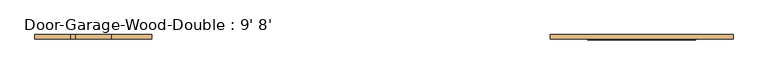
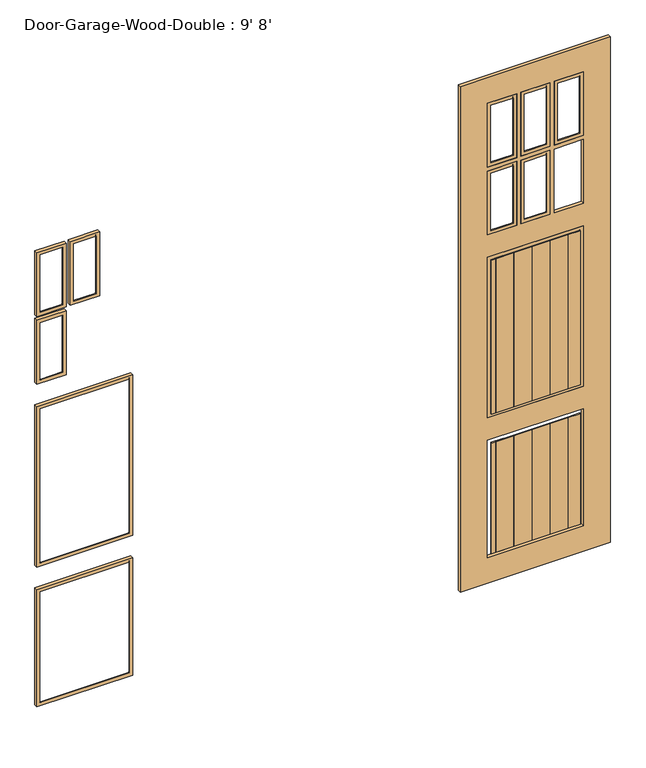
"""IFC4 building model written with IfcOpenShell, lengths in millimetres: door geometry, Door-Garage-Wood-Double : 9' 8'."""

from ifc_helpers import new_model, si_unit, frame, origin, place, context, project, spatial, polyline, ellipse_curve, outline, extrude, source, transform, mapped, element, save
from ifc_brep_helpers import plane_surface, cylinder_surface, advanced_brep


def door_garage_wood_double_9_8_cf30c957(model_context):
    return source(origin(), model_context, "Body", "SolidModel", [
        advanced_brep(
        [(-962.025, -135.73125, 2314.575), (-962.025, -135.73125, 2006.6), (-962.025, -119.85625, 2006.6), (-962.025, -119.85625, 2314.575), (-965.2, -123.03125, 2311.4), (-965.2, -123.03125, 2009.775), (-977.9, -135.73125, 2022.475), (-977.9, -135.73125, 2298.7), (-965.2, -119.85625, 2311.4), (-965.2, -119.85625, 2009.775), (-1095.375, -135.73125, 2006.6), (-1095.375, -119.85625, 2006.6), (-1092.2, -123.03125, 2009.775), (-1079.5, -135.73125, 2022.475), (-1092.2, -119.85625, 2009.775), (-1095.375, -135.73125, 2314.575), (-1095.375, -119.85625, 2314.575), (-1092.2, -123.03125, 2311.4), (-1079.5, -135.73125, 2298.7), (-1092.2, -119.85625, 2311.4)],
        [
            (0, 1),
            (1, 2),
            (2, 3),
            (3, 0),
            (4, 5),
            (5, 6, ellipse_curve(frame((-965.2, -135.73125, 2009.775), z_axis=(0.7071067811865475, 0.0, 0.7071067811865475), x_axis=(-0.7071067811865474, 0.0, 0.7071067811865476)), 17.9605122, 12.7)),
            (6, 7),
            (7, 4, ellipse_curve(frame((-965.2, -135.73125, 2311.4), z_axis=(0.7071067811865475, 0.0, -0.7071067811865475), x_axis=(0.7071067811865474, 0.0, 0.7071067811865476)), 17.9605122, 12.7)),
            (8, 9),
            (9, 5),
            (4, 8),
            (1, 10),
            (10, 11),
            (11, 2),
            (5, 12),
            (12, 13, ellipse_curve(frame((-1092.2, -135.73125, 2009.775), z_axis=(0.7071067811865475, 0.0, -0.7071067811865475), x_axis=(0.7071067811865476, 0.0, 0.7071067811865474)), 17.9605122, 12.7)),
            (13, 6),
            (9, 14),
            (14, 12),
            (10, 15),
            (15, 16),
            (16, 11),
            (12, 17),
            (17, 18, ellipse_curve(frame((-1092.2, -135.73125, 2311.4), z_axis=(-0.7071067811865475, 0.0, -0.7071067811865475), x_axis=(0.7071067811865474, 0.0, -0.7071067811865476)), 17.9605122, 12.7)),
            (18, 13),
            (14, 19),
            (19, 17),
            (15, 0),
            (3, 16),
            (18, 7),
            (17, 4),
            (19, 8),
        ],
        [
            plane_surface(frame((-962.025, -119.85625, 2314.575), z_axis=(1.0, 0.0, 0.0), x_axis=(0.0, 0.0, -1.0))),
            cylinder_surface(frame((-965.2, -135.73125, 2314.575), z_axis=(0.0, 0.0, 1.0), x_axis=(1.0, 0.0, 0.0)), 12.7),
            plane_surface(frame((-965.2, -123.03125, 2311.4), z_axis=(-1.0, 0.0, 0.0), x_axis=(0.0, 0.0, -1.0))),
            plane_surface(frame((-962.025, -119.85625, 2006.6), z_axis=(0.0, 0.0, -1.0), x_axis=(-1.0, 0.0, 0.0))),
            cylinder_surface(frame((-962.025, -135.73125, 2009.775), z_axis=(1.0, 0.0, 0.0), x_axis=(0.0, 0.0, -1.0)), 12.7),
            plane_surface(frame((-965.2, -123.03125, 2009.775), z_axis=(0.0, 0.0, 1.0), x_axis=(-1.0, 0.0, 0.0))),
            plane_surface(frame((-1095.375, -119.85625, 2006.6), z_axis=(-1.0, 0.0, 0.0), x_axis=(0.0, 0.0, 1.0))),
            cylinder_surface(frame((-1092.2, -135.73125, 2006.6), z_axis=(0.0, 0.0, -1.0), x_axis=(-1.0, 0.0, 0.0)), 12.7),
            plane_surface(frame((-1092.2, -123.03125, 2009.775), z_axis=(1.0, 0.0, 0.0), x_axis=(0.0, 0.0, 1.0))),
            plane_surface(frame((-1095.375, -119.85625, 2314.575), z_axis=(0.0, 0.0, 1.0), x_axis=(1.0, 0.0, 0.0))),
            plane_surface(frame((-1095.375, -135.73125, 2314.575), z_axis=(0.0, -1.0, 0.0), x_axis=(1.0, 0.0, 0.0))),
            cylinder_surface(frame((-1095.375, -135.73125, 2311.4), z_axis=(-1.0, 0.0, 0.0), x_axis=(0.0, 0.0, 1.0)), 12.7),
            plane_surface(frame((-1092.2, -123.03125, 2311.4), z_axis=(0.0, 0.0, -1.0), x_axis=(1.0, 0.0, 0.0))),
            plane_surface(frame((-1092.2, -119.85625, 2311.4), z_axis=(0.0, 1.0, 0.0), x_axis=(1.0, 0.0, 0.0))),
        ],
        [
            (0, [[1, 2, 3, 4]]),
            (1, [[5, 6, 7, 8]]),
            (2, [[9, 10, -5, 11]]),
            (3, [[12, 13, 14, -2]]),
            (4, [[15, 16, 17, -6]]),
            (5, [[18, 19, -15, -10]]),
            (6, [[20, 21, 22, -13]]),
            (7, [[23, 24, 25, -16]]),
            (8, [[26, 27, -23, -19]]),
            (9, [[28, -4, 29, -21]]),
            (10, [[-1, -28, -20, -12], [-7, -17, -25, 30]]),
            (11, [[31, -8, -30, -24]]),
            (12, [[32, -11, -31, -27]]),
            (13, [[-3, -14, -22, -29], [-9, -32, -26, -18]]),
        ],
    ),
        advanced_brep(
        [(-1114.425, -135.73125, 2314.575), (-1114.425, -135.73125, 2006.6), (-1114.425, -119.85625, 2006.6), (-1114.425, -119.85625, 2314.575), (-1117.6, -123.03125, 2311.4), (-1117.6, -123.03125, 2009.775), (-1130.3, -135.73125, 2022.475), (-1130.3, -135.73125, 2298.7), (-1117.6, -119.85625, 2311.4), (-1117.6, -119.85625, 2009.775), (-1247.775, -135.73125, 2006.6), (-1247.775, -119.85625, 2006.6), (-1244.6, -123.03125, 2009.775), (-1231.9, -135.73125, 2022.475), (-1244.6, -119.85625, 2009.775), (-1247.775, -135.73125, 2314.575), (-1247.775, -119.85625, 2314.575), (-1244.6, -123.03125, 2311.4), (-1231.9, -135.73125, 2298.7), (-1244.6, -119.85625, 2311.4)],
        [
            (0, 1),
            (1, 2),
            (2, 3),
            (3, 0),
            (4, 5),
            (5, 6, ellipse_curve(frame((-1117.6, -135.73125, 2009.775), z_axis=(0.7071067811865475, 0.0, 0.7071067811865475), x_axis=(-0.7071067811865474, 0.0, 0.7071067811865476)), 17.9605122, 12.7)),
            (6, 7),
            (7, 4, ellipse_curve(frame((-1117.6, -135.73125, 2311.4), z_axis=(0.7071067811865475, 0.0, -0.7071067811865475), x_axis=(0.7071067811865474, 0.0, 0.7071067811865476)), 17.9605122, 12.7)),
            (8, 9),
            (9, 5),
            (4, 8),
            (1, 10),
            (10, 11),
            (11, 2),
            (5, 12),
            (12, 13, ellipse_curve(frame((-1244.6, -135.73125, 2009.775), z_axis=(0.7071067811865475, 0.0, -0.7071067811865475), x_axis=(0.7071067811865476, 0.0, 0.7071067811865474)), 17.9605122, 12.7)),
            (13, 6),
            (9, 14),
            (14, 12),
            (10, 15),
            (15, 16),
            (16, 11),
            (12, 17),
            (17, 18, ellipse_curve(frame((-1244.6, -135.73125, 2311.4), z_axis=(-0.7071067811865475, 0.0, -0.7071067811865475), x_axis=(0.7071067811865474, 0.0, -0.7071067811865476)), 17.9605122, 12.7)),
            (18, 13),
            (14, 19),
            (19, 17),
            (15, 0),
            (3, 16),
            (18, 7),
            (17, 4),
            (19, 8),
        ],
        [
            plane_surface(frame((-1114.425, -119.85625, 2314.575), z_axis=(1.0, 0.0, 0.0), x_axis=(0.0, 0.0, -1.0))),
            cylinder_surface(frame((-1117.6, -135.73125, 2314.575), z_axis=(0.0, 0.0, 1.0), x_axis=(1.0, 0.0, 0.0)), 12.7),
            plane_surface(frame((-1117.6, -123.03125, 2311.4), z_axis=(-1.0, 0.0, 0.0), x_axis=(0.0, 0.0, -1.0))),
            plane_surface(frame((-1114.425, -119.85625, 2006.6), z_axis=(0.0, 0.0, -1.0), x_axis=(-1.0, 0.0, 0.0))),
            cylinder_surface(frame((-1114.425, -135.73125, 2009.775), z_axis=(1.0, 0.0, 0.0), x_axis=(0.0, 0.0, -1.0)), 12.7),
            plane_surface(frame((-1117.6, -123.03125, 2009.775), z_axis=(0.0, 0.0, 1.0), x_axis=(-1.0, 0.0, 0.0))),
            plane_surface(frame((-1247.775, -119.85625, 2006.6), z_axis=(-1.0, 0.0, 0.0), x_axis=(0.0, 0.0, 1.0))),
            cylinder_surface(frame((-1244.6, -135.73125, 2006.6), z_axis=(0.0, 0.0, -1.0), x_axis=(-1.0, 0.0, 0.0)), 12.7),
            plane_surface(frame((-1244.6, -123.03125, 2009.775), z_axis=(1.0, 0.0, 0.0), x_axis=(0.0, 0.0, 1.0))),
            plane_surface(frame((-1247.775, -119.85625, 2314.575), z_axis=(0.0, 0.0, 1.0), x_axis=(1.0, 0.0, 0.0))),
            plane_surface(frame((-1247.775, -135.73125, 2314.575), z_axis=(0.0, -1.0, 0.0), x_axis=(1.0, 0.0, 0.0))),
            cylinder_surface(frame((-1247.775, -135.73125, 2311.4), z_axis=(-1.0, 0.0, 0.0), x_axis=(0.0, 0.0, 1.0)), 12.7),
            plane_surface(frame((-1244.6, -123.03125, 2311.4), z_axis=(0.0, 0.0, -1.0), x_axis=(1.0, 0.0, 0.0))),
            plane_surface(frame((-1244.6, -119.85625, 2311.4), z_axis=(0.0, 1.0, 0.0), x_axis=(1.0, 0.0, 0.0))),
        ],
        [
            (0, [[1, 2, 3, 4]]),
            (1, [[5, 6, 7, 8]]),
            (2, [[9, 10, -5, 11]]),
            (3, [[12, 13, 14, -2]]),
            (4, [[15, 16, 17, -6]]),
            (5, [[18, 19, -15, -10]]),
            (6, [[20, 21, 22, -13]]),
            (7, [[23, 24, 25, -16]]),
            (8, [[26, 27, -23, -19]]),
            (9, [[28, -4, 29, -21]]),
            (10, [[-1, -28, -20, -12], [-7, -17, -25, 30]]),
            (11, [[31, -8, -30, -24]]),
            (12, [[32, -11, -31, -27]]),
            (13, [[-3, -14, -22, -29], [-9, -32, -26, -18]]),
        ],
    ),
        advanced_brep(
        [(-809.625, -135.73125, 1571.625), (-809.625, -135.73125, 796.925), (-809.625, -119.85625, 796.925), (-809.625, -119.85625, 1571.625), (-812.8, -123.03125, 1568.45), (-812.8, -123.03125, 800.1), (-825.5, -135.73125, 812.8), (-825.5, -135.73125, 1555.75), (-812.8, -119.85625, 1568.45), (-812.8, -119.85625, 800.1), (-1247.775, -135.73125, 796.925), (-1247.775, -119.85625, 796.925), (-1244.6, -123.03125, 800.1), (-1231.9, -135.73125, 812.8), (-1244.6, -119.85625, 800.1), (-1247.775, -135.73125, 1571.625), (-1247.775, -119.85625, 1571.625), (-1244.6, -123.03125, 1568.45), (-1231.9, -135.73125, 1555.75), (-1244.6, -119.85625, 1568.45)],
        [
            (0, 1),
            (1, 2),
            (2, 3),
            (3, 0),
            (4, 5),
            (5, 6, ellipse_curve(frame((-812.8, -135.73125, 800.1), z_axis=(0.7071067811865475, 0.0, 0.7071067811865475), x_axis=(-0.7071067811865474, 0.0, 0.7071067811865476)), 17.9605122, 12.7)),
            (6, 7),
            (7, 4, ellipse_curve(frame((-812.8, -135.73125, 1568.45), z_axis=(0.7071067811865475, 0.0, -0.7071067811865475), x_axis=(0.7071067811865474, 0.0, 0.7071067811865476)), 17.9605122, 12.7)),
            (8, 9),
            (9, 5),
            (4, 8),
            (1, 10),
            (10, 11),
            (11, 2),
            (5, 12),
            (12, 13, ellipse_curve(frame((-1244.6, -135.73125, 800.1), z_axis=(0.7071067811865475, 0.0, -0.7071067811865475), x_axis=(0.7071067811865476, 0.0, 0.7071067811865474)), 17.9605122, 12.7)),
            (13, 6),
            (9, 14),
            (14, 12),
            (10, 15),
            (15, 16),
            (16, 11),
            (12, 17),
            (17, 18, ellipse_curve(frame((-1244.6, -135.73125, 1568.45), z_axis=(-0.7071067811865475, 0.0, -0.7071067811865475), x_axis=(0.7071067811865474, 0.0, -0.7071067811865476)), 17.9605122, 12.7)),
            (18, 13),
            (14, 19),
            (19, 17),
            (15, 0),
            (3, 16),
            (18, 7),
            (17, 4),
            (19, 8),
        ],
        [
            plane_surface(frame((-809.625, -119.85625, 1571.625), z_axis=(1.0, 0.0, 0.0), x_axis=(0.0, 0.0, -1.0))),
            cylinder_surface(frame((-812.8, -135.73125, 1571.625), z_axis=(0.0, 0.0, 1.0), x_axis=(1.0, 0.0, 0.0)), 12.7),
            plane_surface(frame((-812.8, -123.03125, 1568.45), z_axis=(-1.0, 0.0, 0.0), x_axis=(0.0, 0.0, -1.0))),
            plane_surface(frame((-809.625, -119.85625, 796.925), z_axis=(0.0, 0.0, -1.0), x_axis=(-1.0, 0.0, 0.0))),
            cylinder_surface(frame((-809.625, -135.73125, 800.1), z_axis=(1.0, 0.0, 0.0), x_axis=(0.0, 0.0, -1.0)), 12.7),
            plane_surface(frame((-812.8, -123.03125, 800.1), z_axis=(0.0, 0.0, 1.0), x_axis=(-1.0, 0.0, 0.0))),
            plane_surface(frame((-1247.775, -119.85625, 796.925), z_axis=(-1.0, 0.0, 0.0), x_axis=(0.0, 0.0, 1.0))),
            cylinder_surface(frame((-1244.6, -135.73125, 796.925), z_axis=(0.0, 0.0, -1.0), x_axis=(-1.0, 0.0, 0.0)), 12.7),
            plane_surface(frame((-1244.6, -123.03125, 800.1), z_axis=(1.0, 0.0, 0.0), x_axis=(0.0, 0.0, 1.0))),
            plane_surface(frame((-1247.775, -119.85625, 1571.625), z_axis=(0.0, 0.0, 1.0), x_axis=(1.0, 0.0, 0.0))),
            plane_surface(frame((-1247.775, -135.73125, 1571.625), z_axis=(0.0, -1.0, 0.0), x_axis=(1.0, 0.0, 0.0))),
            cylinder_surface(frame((-1247.775, -135.73125, 1568.45), z_axis=(-1.0, 0.0, 0.0), x_axis=(0.0, 0.0, 1.0)), 12.7),
            plane_surface(frame((-1244.6, -123.03125, 1568.45), z_axis=(0.0, 0.0, -1.0), x_axis=(1.0, 0.0, 0.0))),
            plane_surface(frame((-1244.6, -119.85625, 1568.45), z_axis=(0.0, 1.0, 0.0), x_axis=(1.0, 0.0, 0.0))),
        ],
        [
            (0, [[1, 2, 3, 4]]),
            (1, [[5, 6, 7, 8]]),
            (2, [[9, 10, -5, 11]]),
            (3, [[12, 13, 14, -2]]),
            (4, [[15, 16, 17, -6]]),
            (5, [[18, 19, -15, -10]]),
            (6, [[20, 21, 22, -13]]),
            (7, [[23, 24, 25, -16]]),
            (8, [[26, 27, -23, -19]]),
            (9, [[28, -4, 29, -21]]),
            (10, [[-1, -28, -20, -12], [-7, -17, -25, 30]]),
            (11, [[31, -8, -30, -24]]),
            (12, [[32, -11, -31, -27]]),
            (13, [[-3, -14, -22, -29], [-9, -32, -26, -18]]),
        ],
    ),
        advanced_brep(
        [(-1114.425, -135.73125, 1987.55), (-1114.425, -135.73125, 1679.575), (-1114.425, -119.85625, 1679.575), (-1114.425, -119.85625, 1987.55), (-1117.6, -123.03125, 1984.375), (-1117.6, -123.03125, 1682.75), (-1130.3, -135.73125, 1695.45), (-1130.3, -135.73125, 1971.675), (-1117.6, -119.85625, 1984.375), (-1117.6, -119.85625, 1682.75), (-1247.775, -135.73125, 1679.575), (-1247.775, -119.85625, 1679.575), (-1244.6, -123.03125, 1682.75), (-1231.9, -135.73125, 1695.45), (-1244.6, -119.85625, 1682.75), (-1247.775, -135.73125, 1987.55), (-1247.775, -119.85625, 1987.55), (-1244.6, -123.03125, 1984.375), (-1231.9, -135.73125, 1971.675), (-1244.6, -119.85625, 1984.375)],
        [
            (0, 1),
            (1, 2),
            (2, 3),
            (3, 0),
            (4, 5),
            (5, 6, ellipse_curve(frame((-1117.6, -135.73125, 1682.75), z_axis=(0.7071067811865475, 0.0, 0.7071067811865475), x_axis=(-0.7071067811865474, 0.0, 0.7071067811865476)), 17.9605122, 12.7)),
            (6, 7),
            (7, 4, ellipse_curve(frame((-1117.6, -135.73125, 1984.375), z_axis=(0.7071067811865475, 0.0, -0.7071067811865475), x_axis=(0.7071067811865474, 0.0, 0.7071067811865476)), 17.9605122, 12.7)),
            (8, 9),
            (9, 5),
            (4, 8),
            (1, 10),
            (10, 11),
            (11, 2),
            (5, 12),
            (12, 13, ellipse_curve(frame((-1244.6, -135.73125, 1682.75), z_axis=(0.7071067811865475, 0.0, -0.7071067811865475), x_axis=(0.7071067811865476, 0.0, 0.7071067811865474)), 17.9605122, 12.7)),
            (13, 6),
            (9, 14),
            (14, 12),
            (10, 15),
            (15, 16),
            (16, 11),
            (12, 17),
            (17, 18, ellipse_curve(frame((-1244.6, -135.73125, 1984.375), z_axis=(-0.7071067811865475, 0.0, -0.7071067811865475), x_axis=(0.7071067811865474, 0.0, -0.7071067811865476)), 17.9605122, 12.7)),
            (18, 13),
            (14, 19),
            (19, 17),
            (15, 0),
            (3, 16),
            (18, 7),
            (17, 4),
            (19, 8),
        ],
        [
            plane_surface(frame((-1114.425, -119.85625, 1987.55), z_axis=(1.0, 0.0, 0.0), x_axis=(0.0, 0.0, -1.0))),
            cylinder_surface(frame((-1117.6, -135.73125, 1987.55), z_axis=(0.0, 0.0, 1.0), x_axis=(1.0, 0.0, 0.0)), 12.7),
            plane_surface(frame((-1117.6, -123.03125, 1984.375), z_axis=(-1.0, 0.0, 0.0), x_axis=(0.0, 0.0, -1.0))),
            plane_surface(frame((-1114.425, -119.85625, 1679.575), z_axis=(0.0, 0.0, -1.0), x_axis=(-1.0, 0.0, 0.0))),
            cylinder_surface(frame((-1114.425, -135.73125, 1682.75), z_axis=(1.0, 0.0, 0.0), x_axis=(0.0, 0.0, -1.0)), 12.7),
            plane_surface(frame((-1117.6, -123.03125, 1682.75), z_axis=(0.0, 0.0, 1.0), x_axis=(-1.0, 0.0, 0.0))),
            plane_surface(frame((-1247.775, -119.85625, 1679.575), z_axis=(-1.0, 0.0, 0.0), x_axis=(0.0, 0.0, 1.0))),
            cylinder_surface(frame((-1244.6, -135.73125, 1679.575), z_axis=(0.0, 0.0, -1.0), x_axis=(-1.0, 0.0, 0.0)), 12.7),
            plane_surface(frame((-1244.6, -123.03125, 1682.75), z_axis=(1.0, 0.0, 0.0), x_axis=(0.0, 0.0, 1.0))),
            plane_surface(frame((-1247.775, -119.85625, 1987.55), z_axis=(0.0, 0.0, 1.0), x_axis=(1.0, 0.0, 0.0))),
            plane_surface(frame((-1247.775, -135.73125, 1987.55), z_axis=(0.0, -1.0, 0.0), x_axis=(1.0, 0.0, 0.0))),
            cylinder_surface(frame((-1247.775, -135.73125, 1984.375), z_axis=(-1.0, 0.0, 0.0), x_axis=(0.0, 0.0, 1.0)), 12.7),
            plane_surface(frame((-1244.6, -123.03125, 1984.375), z_axis=(0.0, 0.0, -1.0), x_axis=(1.0, 0.0, 0.0))),
            plane_surface(frame((-1244.6, -119.85625, 1984.375), z_axis=(0.0, 1.0, 0.0), x_axis=(1.0, 0.0, 0.0))),
        ],
        [
            (0, [[1, 2, 3, 4]]),
            (1, [[5, 6, 7, 8]]),
            (2, [[9, 10, -5, 11]]),
            (3, [[12, 13, 14, -2]]),
            (4, [[15, 16, 17, -6]]),
            (5, [[18, 19, -15, -10]]),
            (6, [[20, 21, 22, -13]]),
            (7, [[23, 24, 25, -16]]),
            (8, [[26, 27, -23, -19]]),
            (9, [[28, -4, 29, -21]]),
            (10, [[-1, -28, -20, -12], [-7, -17, -25, 30]]),
            (11, [[31, -8, -30, -24]]),
            (12, [[32, -11, -31, -27]]),
            (13, [[-3, -14, -22, -29], [-9, -32, -26, -18]]),
        ],
    ),
        advanced_brep(
        [(-809.625, -135.73125, 688.975), (-809.625, -135.73125, 123.825), (-809.625, -119.85625, 123.825), (-809.625, -119.85625, 688.975), (-812.8, -123.03125, 685.8), (-812.8, -123.03125, 127.0), (-825.5, -135.73125, 139.7), (-825.5, -135.73125, 673.1), (-812.8, -119.85625, 685.8), (-812.8, -119.85625, 127.0), (-1247.775, -135.73125, 123.825), (-1247.775, -119.85625, 123.825), (-1244.6, -123.03125, 127.0), (-1231.9, -135.73125, 139.7), (-1244.6, -119.85625, 127.0), (-1247.775, -135.73125, 688.975), (-1247.775, -119.85625, 688.975), (-1244.6, -123.03125, 685.8), (-1231.9, -135.73125, 673.1), (-1244.6, -119.85625, 685.8)],
        [
            (0, 1),
            (1, 2),
            (2, 3),
            (3, 0),
            (4, 5),
            (5, 6, ellipse_curve(frame((-812.8, -135.73125, 127.0), z_axis=(0.7071067811865475, 0.0, 0.7071067811865475), x_axis=(-0.7071067811865474, 0.0, 0.7071067811865476)), 17.9605122, 12.7)),
            (6, 7),
            (7, 4, ellipse_curve(frame((-812.8, -135.73125, 685.8), z_axis=(0.7071067811865475, 0.0, -0.7071067811865475), x_axis=(0.7071067811865474, 0.0, 0.7071067811865476)), 17.9605122, 12.7)),
            (8, 9),
            (9, 5),
            (4, 8),
            (1, 10),
            (10, 11),
            (11, 2),
            (5, 12),
            (12, 13, ellipse_curve(frame((-1244.6, -135.73125, 127.0), z_axis=(0.7071067811865475, 0.0, -0.7071067811865475), x_axis=(0.7071067811865476, 0.0, 0.7071067811865474)), 17.9605122, 12.7)),
            (13, 6),
            (9, 14),
            (14, 12),
            (10, 15),
            (15, 16),
            (16, 11),
            (12, 17),
            (17, 18, ellipse_curve(frame((-1244.6, -135.73125, 685.8), z_axis=(-0.7071067811865475, 0.0, -0.7071067811865475), x_axis=(0.7071067811865474, 0.0, -0.7071067811865476)), 17.9605122, 12.7)),
            (18, 13),
            (14, 19),
            (19, 17),
            (15, 0),
            (3, 16),
            (18, 7),
            (17, 4),
            (19, 8),
        ],
        [
            plane_surface(frame((-809.625, -119.85625, 688.975), z_axis=(1.0, 0.0, 0.0), x_axis=(0.0, 0.0, -1.0))),
            cylinder_surface(frame((-812.8, -135.73125, 688.975), z_axis=(0.0, 0.0, 1.0), x_axis=(1.0, 0.0, 0.0)), 12.7),
            plane_surface(frame((-812.8, -123.03125, 685.8), z_axis=(-1.0, 0.0, 0.0), x_axis=(0.0, 0.0, -1.0))),
            plane_surface(frame((-809.625, -119.85625, 123.825), z_axis=(0.0, 0.0, -1.0), x_axis=(-1.0, 0.0, 0.0))),
            cylinder_surface(frame((-809.625, -135.73125, 127.0), z_axis=(1.0, 0.0, 0.0), x_axis=(0.0, 0.0, -1.0)), 12.7),
            plane_surface(frame((-812.8, -123.03125, 127.0), z_axis=(0.0, 0.0, 1.0), x_axis=(-1.0, 0.0, 0.0))),
            plane_surface(frame((-1247.775, -119.85625, 123.825), z_axis=(-1.0, 0.0, 0.0), x_axis=(0.0, 0.0, 1.0))),
            cylinder_surface(frame((-1244.6, -135.73125, 123.825), z_axis=(0.0, 0.0, -1.0), x_axis=(-1.0, 0.0, 0.0)), 12.7),
            plane_surface(frame((-1244.6, -123.03125, 127.0), z_axis=(1.0, 0.0, 0.0), x_axis=(0.0, 0.0, 1.0))),
            plane_surface(frame((-1247.775, -119.85625, 688.975), z_axis=(0.0, 0.0, 1.0), x_axis=(1.0, 0.0, 0.0))),
            plane_surface(frame((-1247.775, -135.73125, 688.975), z_axis=(0.0, -1.0, 0.0), x_axis=(1.0, 0.0, 0.0))),
            cylinder_surface(frame((-1247.775, -135.73125, 685.8), z_axis=(-1.0, 0.0, 0.0), x_axis=(0.0, 0.0, 1.0)), 12.7),
            plane_surface(frame((-1244.6, -123.03125, 685.8), z_axis=(0.0, 0.0, -1.0), x_axis=(1.0, 0.0, 0.0))),
            plane_surface(frame((-1244.6, -119.85625, 685.8), z_axis=(0.0, 1.0, 0.0), x_axis=(1.0, 0.0, 0.0))),
        ],
        [
            (0, [[1, 2, 3, 4]]),
            (1, [[5, 6, 7, 8]]),
            (2, [[9, 10, -5, 11]]),
            (3, [[12, 13, 14, -2]]),
            (4, [[15, 16, 17, -6]]),
            (5, [[18, 19, -15, -10]]),
            (6, [[20, 21, 22, -13]]),
            (7, [[23, 24, 25, -16]]),
            (8, [[26, 27, -23, -19]]),
            (9, [[28, -4, 29, -21]]),
            (10, [[-1, -28, -20, -12], [-7, -17, -25, 30]]),
            (11, [[31, -8, -30, -24]]),
            (12, [[32, -11, -31, -27]]),
            (13, [[-3, -14, -22, -29], [-9, -32, -26, -18]]),
        ],
    ),
        extrude(outline(polyline([(2438.4, 685.8), (0.0, 685.8), (0.0, 1371.6), (2438.4, 1371.6), (2438.4, 685.8)]), holes=[polyline([(123.825, 1247.775), (123.825, 809.625), (688.975, 809.625), (688.975, 1247.775), (123.825, 1247.775)]), polyline([(796.925, 1247.775), (796.925, 809.625), (1571.625, 809.625), (1571.625, 1247.775), (796.925, 1247.775)]), polyline([(1987.55, 1114.425), (1987.55, 1247.775), (1679.575, 1247.775), (1679.575, 1114.425), (1987.55, 1114.425)]), polyline([(2006.6, 1114.425), (2314.575, 1114.425), (2314.575, 1247.775), (2006.6, 1247.775), (2006.6, 1114.425)]), polyline([(2006.6, 962.025), (2314.575, 962.025), (2314.575, 1095.375), (2006.6, 1095.375), (2006.6, 962.025)]), polyline([(1987.55, 962.025), (1987.55, 1095.375), (1679.575, 1095.375), (1679.575, 962.025), (1987.55, 962.025)]), polyline([(1987.55, 809.625), (1987.55, 942.975), (1679.575, 942.975), (1679.575, 809.625), (1987.55, 809.625)]), polyline([(2006.6, 809.625), (2314.575, 809.625), (2314.575, 942.975), (2006.6, 942.975), (2006.6, 809.625)])]), frame((0.0, -135.73125, 0.0), z_axis=(0.0, 1.0, 0.0), x_axis=(0.0, 0.0, 1.0)), (0.0, 0.0, 1.0), 15.875),
        extrude(outline(polyline([(844.55, -135.73125), (927.1, -135.73125), (927.1, -140.49375), (844.55, -140.49375), (844.55, -135.73125)])), frame((0.0, 0.0, 812.8), z_axis=(0.0, 0.0, 1.0), x_axis=(1.0, 0.0, 0.0)), (0.0, 0.0, 1.0), 742.95),
        extrude(outline(polyline([(844.55, -135.73125), (927.1, -135.73125), (927.1, -140.49375), (844.55, -140.49375), (844.55, -135.73125)])), frame((0.0, 0.0, 139.7), z_axis=(0.0, 0.0, 1.0), x_axis=(1.0, 0.0, 0.0)), (0.0, 0.0, 1.0), 533.4),
        extrude(outline(polyline([(927.1, -135.73125), (1009.65, -135.73125), (1009.65, -140.49375), (927.1, -140.49375), (927.1, -135.73125)])), frame((0.0, 0.0, 812.8), z_axis=(0.0, 0.0, 1.0), x_axis=(1.0, 0.0, 0.0)), (0.0, 0.0, 1.0), 742.95),
        extrude(outline(polyline([(927.1, -135.73125), (1009.65, -135.73125), (1009.65, -140.49375), (927.1, -140.49375), (927.1, -135.73125)])), frame((0.0, 0.0, 139.7), z_axis=(0.0, 0.0, 1.0), x_axis=(1.0, 0.0, 0.0)), (0.0, 0.0, 1.0), 533.4),
        extrude(outline(polyline([(1009.65, -135.73125), (1092.2, -135.73125), (1092.2, -140.49375), (1009.65, -140.49375), (1009.65, -135.73125)])), frame((0.0, 0.0, 812.8), z_axis=(0.0, 0.0, 1.0), x_axis=(1.0, 0.0, 0.0)), (0.0, 0.0, 1.0), 742.95),
        extrude(outline(polyline([(1009.65, -135.73125), (1092.2, -135.73125), (1092.2, -140.49375), (1009.65, -140.49375), (1009.65, -135.73125)])), frame((0.0, 0.0, 139.7), z_axis=(0.0, 0.0, 1.0), x_axis=(1.0, 0.0, 0.0)), (0.0, 0.0, 1.0), 533.4),
        extrude(outline(polyline([(1092.2, -135.73125), (1174.75, -135.73125), (1174.75, -140.49375), (1092.2, -140.49375), (1092.2, -135.73125)])), frame((0.0, 0.0, 812.8), z_axis=(0.0, 0.0, 1.0), x_axis=(1.0, 0.0, 0.0)), (0.0, 0.0, 1.0), 742.95),
        extrude(outline(polyline([(1092.2, -135.73125), (1174.75, -135.73125), (1174.75, -140.49375), (1092.2, -140.49375), (1092.2, -135.73125)])), frame((0.0, 0.0, 139.7), z_axis=(0.0, 0.0, 1.0), x_axis=(1.0, 0.0, 0.0)), (0.0, 0.0, 1.0), 533.4),
        extrude(outline(polyline([(825.5, -135.73125), (882.65, -135.73125), (882.65, -140.49375), (825.5, -140.49375), (825.5, -135.73125)])), frame((0.0, 0.0, 812.8), z_axis=(0.0, 0.0, 1.0), x_axis=(1.0, 0.0, 0.0)), (0.0, 0.0, 1.0), 742.95),
        extrude(outline(polyline([(825.5, -135.73125), (882.65, -135.73125), (882.65, -140.49375), (825.5, -140.49375), (825.5, -135.73125)])), frame((0.0, 0.0, 139.7), z_axis=(0.0, 0.0, 1.0), x_axis=(1.0, 0.0, 0.0)), (0.0, 0.0, 1.0), 533.4),
        extrude(outline(polyline([(1174.75, -135.73125), (1231.9, -135.73125), (1231.9, -140.49375), (1174.75, -140.49375), (1174.75, -135.73125)])), frame((0.0, 0.0, 812.8), z_axis=(0.0, 0.0, 1.0), x_axis=(1.0, 0.0, 0.0)), (0.0, 0.0, 1.0), 742.95),
        extrude(outline(polyline([(1174.75, -135.73125), (1231.9, -135.73125), (1231.9, -140.49375), (1174.75, -140.49375), (1174.75, -135.73125)])), frame((0.0, 0.0, 139.7), z_axis=(0.0, 0.0, 1.0), x_axis=(1.0, 0.0, 0.0)), (0.0, 0.0, 1.0), 533.4),
        advanced_brep(
        [(809.625, -135.73125, 2314.575), (809.625, -119.85625, 2314.575), (809.625, -119.85625, 2006.6), (809.625, -135.73125, 2006.6), (812.8, -123.03125, 2311.4), (825.5, -135.73125, 2298.7), (825.5, -135.73125, 2022.475), (812.8, -123.03125, 2009.775), (812.8, -119.85625, 2009.775), (812.8, -119.85625, 2311.4), (942.975, -119.85625, 2006.6), (942.975, -135.73125, 2006.6), (927.1, -135.73125, 2022.475), (939.8, -123.03125, 2009.775), (939.8, -119.85625, 2009.775), (942.975, -119.85625, 2314.575), (942.975, -135.73125, 2314.575), (927.1, -135.73125, 2298.7), (939.8, -123.03125, 2311.4), (939.8, -119.85625, 2311.4)],
        [
            (0, 1),
            (1, 2),
            (2, 3),
            (3, 0),
            (4, 5, ellipse_curve(frame((812.8, -135.73125, 2311.4), z_axis=(-0.7071067811865475, 0.0, -0.7071067811865475), x_axis=(-0.7071067811865474, 0.0, 0.7071067811865476)), 17.9605122, 12.7)),
            (5, 6),
            (6, 7, ellipse_curve(frame((812.8, -135.73125, 2009.775), z_axis=(-0.7071067811865475, 0.0, 0.7071067811865475), x_axis=(0.7071067811865474, 0.0, 0.7071067811865476)), 17.9605122, 12.7)),
            (7, 4),
            (7, 8),
            (8, 9),
            (9, 4),
            (2, 10),
            (10, 11),
            (11, 3),
            (6, 12),
            (12, 13, ellipse_curve(frame((939.8, -135.73125, 2009.775), z_axis=(-0.7071067811865475, 0.0, -0.7071067811865475), x_axis=(-0.7071067811865476, 0.0, 0.7071067811865474)), 17.9605122, 12.7)),
            (13, 7),
            (13, 14),
            (14, 8),
            (10, 15),
            (15, 16),
            (16, 11),
            (12, 17),
            (17, 18, ellipse_curve(frame((939.8, -135.73125, 2311.4), z_axis=(0.7071067811865475, 0.0, -0.7071067811865475), x_axis=(-0.7071067811865474, 0.0, -0.7071067811865476)), 17.9605122, 12.7)),
            (18, 13),
            (18, 19),
            (19, 14),
            (0, 16),
            (15, 1),
            (5, 17),
            (4, 18),
            (9, 19),
        ],
        [
            plane_surface(frame((809.625, -119.85625, 2314.575), z_axis=(-1.0, 0.0, 0.0), x_axis=(0.0, 0.0, -1.0))),
            cylinder_surface(frame((812.8, -135.73125, 2314.575), z_axis=(0.0, 0.0, 1.0), x_axis=(-1.0, 0.0, 0.0)), 12.7),
            plane_surface(frame((812.8, -123.03125, 2311.4), z_axis=(1.0, 0.0, 0.0), x_axis=(0.0, 0.0, -1.0))),
            plane_surface(frame((809.625, -119.85625, 2006.6), z_axis=(0.0, 0.0, -1.0), x_axis=(1.0, 0.0, 0.0))),
            cylinder_surface(frame((809.625, -135.73125, 2009.775), z_axis=(-1.0, 0.0, 0.0), x_axis=(0.0, 0.0, -1.0)), 12.7),
            plane_surface(frame((812.8, -123.03125, 2009.775), z_axis=(0.0, 0.0, 1.0), x_axis=(1.0, 0.0, 0.0))),
            plane_surface(frame((942.975, -119.85625, 2006.6), z_axis=(1.0, 0.0, 0.0), x_axis=(0.0, 0.0, 1.0))),
            cylinder_surface(frame((939.8, -135.73125, 2006.6), z_axis=(0.0, 0.0, -1.0), x_axis=(1.0, 0.0, 0.0)), 12.7),
            plane_surface(frame((939.8, -123.03125, 2009.775), z_axis=(-1.0, 0.0, 0.0), x_axis=(0.0, 0.0, 1.0))),
            plane_surface(frame((942.975, -119.85625, 2314.575), z_axis=(0.0, 0.0, 1.0), x_axis=(-1.0, 0.0, 0.0))),
            plane_surface(frame((942.975, -135.73125, 2314.575), z_axis=(0.0, -1.0, 0.0), x_axis=(-1.0, 0.0, 0.0))),
            cylinder_surface(frame((942.975, -135.73125, 2311.4), z_axis=(1.0, 0.0, 0.0), x_axis=(0.0, 0.0, 1.0)), 12.7),
            plane_surface(frame((939.8, -123.03125, 2311.4), z_axis=(0.0, 0.0, -1.0), x_axis=(-1.0, 0.0, 0.0))),
            plane_surface(frame((939.8, -119.85625, 2311.4), z_axis=(0.0, 1.0, 0.0), x_axis=(-1.0, 0.0, 0.0))),
        ],
        [
            (0, [[1, 2, 3, 4]]),
            (1, [[5, 6, 7, 8]]),
            (2, [[-8, 9, 10, 11]]),
            (3, [[-3, 12, 13, 14]]),
            (4, [[-7, 15, 16, 17]]),
            (5, [[-9, -17, 18, 19]]),
            (6, [[-13, 20, 21, 22]]),
            (7, [[-16, 23, 24, 25]]),
            (8, [[-18, -25, 26, 27]]),
            (9, [[-1, 28, -21, 29]]),
            (10, [[-4, -14, -22, -28], [-6, 30, -23, -15]]),
            (11, [[-5, 31, -24, -30]]),
            (12, [[-11, 32, -26, -31]]),
            (13, [[-2, -29, -20, -12], [-10, -19, -27, -32]]),
        ],
    ),
        advanced_brep(
        [(962.025, -135.73125, 1987.55), (962.025, -119.85625, 1987.55), (962.025, -119.85625, 1679.575), (962.025, -135.73125, 1679.575), (965.2, -123.03125, 1984.375), (977.9, -135.73125, 1971.675), (977.9, -135.73125, 1695.45), (965.2, -123.03125, 1682.75), (965.2, -119.85625, 1682.75), (965.2, -119.85625, 1984.375), (1095.375, -119.85625, 1679.575), (1095.375, -135.73125, 1679.575), (1079.5, -135.73125, 1695.45), (1092.2, -123.03125, 1682.75), (1092.2, -119.85625, 1682.75), (1095.375, -119.85625, 1987.55), (1095.375, -135.73125, 1987.55), (1079.5, -135.73125, 1971.675), (1092.2, -123.03125, 1984.375), (1092.2, -119.85625, 1984.375)],
        [
            (0, 1),
            (1, 2),
            (2, 3),
            (3, 0),
            (4, 5, ellipse_curve(frame((965.2, -135.73125, 1984.375), z_axis=(-0.7071067811865475, 0.0, -0.7071067811865475), x_axis=(-0.7071067811865474, 0.0, 0.7071067811865476)), 17.9605122, 12.7)),
            (5, 6),
            (6, 7, ellipse_curve(frame((965.2, -135.73125, 1682.75), z_axis=(-0.7071067811865475, 0.0, 0.7071067811865475), x_axis=(0.7071067811865474, 0.0, 0.7071067811865476)), 17.9605122, 12.7)),
            (7, 4),
            (7, 8),
            (8, 9),
            (9, 4),
            (2, 10),
            (10, 11),
            (11, 3),
            (6, 12),
            (12, 13, ellipse_curve(frame((1092.2, -135.73125, 1682.75), z_axis=(-0.7071067811865475, 0.0, -0.7071067811865475), x_axis=(-0.7071067811865476, 0.0, 0.7071067811865474)), 17.9605122, 12.7)),
            (13, 7),
            (13, 14),
            (14, 8),
            (10, 15),
            (15, 16),
            (16, 11),
            (12, 17),
            (17, 18, ellipse_curve(frame((1092.2, -135.73125, 1984.375), z_axis=(0.7071067811865475, 0.0, -0.7071067811865475), x_axis=(-0.7071067811865474, 0.0, -0.7071067811865476)), 17.9605122, 12.7)),
            (18, 13),
            (18, 19),
            (19, 14),
            (0, 16),
            (15, 1),
            (5, 17),
            (4, 18),
            (9, 19),
        ],
        [
            plane_surface(frame((962.025, -119.85625, 1987.55), z_axis=(-1.0, 0.0, 0.0), x_axis=(0.0, 0.0, -1.0))),
            cylinder_surface(frame((965.2, -135.73125, 1987.55), z_axis=(0.0, 0.0, 1.0), x_axis=(-1.0, 0.0, 0.0)), 12.7),
            plane_surface(frame((965.2, -123.03125, 1984.375), z_axis=(1.0, 0.0, 0.0), x_axis=(0.0, 0.0, -1.0))),
            plane_surface(frame((962.025, -119.85625, 1679.575), z_axis=(0.0, 0.0, -1.0), x_axis=(1.0, 0.0, 0.0))),
            cylinder_surface(frame((962.025, -135.73125, 1682.75), z_axis=(-1.0, 0.0, 0.0), x_axis=(0.0, 0.0, -1.0)), 12.7),
            plane_surface(frame((965.2, -123.03125, 1682.75), z_axis=(0.0, 0.0, 1.0), x_axis=(1.0, 0.0, 0.0))),
            plane_surface(frame((1095.375, -119.85625, 1679.575), z_axis=(1.0, 0.0, 0.0), x_axis=(0.0, 0.0, 1.0))),
            cylinder_surface(frame((1092.2, -135.73125, 1679.575), z_axis=(0.0, 0.0, -1.0), x_axis=(1.0, 0.0, 0.0)), 12.7),
            plane_surface(frame((1092.2, -123.03125, 1682.75), z_axis=(-1.0, 0.0, 0.0), x_axis=(0.0, 0.0, 1.0))),
            plane_surface(frame((1095.375, -119.85625, 1987.55), z_axis=(0.0, 0.0, 1.0), x_axis=(-1.0, 0.0, 0.0))),
            plane_surface(frame((1095.375, -135.73125, 1987.55), z_axis=(0.0, -1.0, 0.0), x_axis=(-1.0, 0.0, 0.0))),
            cylinder_surface(frame((1095.375, -135.73125, 1984.375), z_axis=(1.0, 0.0, 0.0), x_axis=(0.0, 0.0, 1.0)), 12.7),
            plane_surface(frame((1092.2, -123.03125, 1984.375), z_axis=(0.0, 0.0, -1.0), x_axis=(-1.0, 0.0, 0.0))),
            plane_surface(frame((1092.2, -119.85625, 1984.375), z_axis=(0.0, 1.0, 0.0), x_axis=(-1.0, 0.0, 0.0))),
        ],
        [
            (0, [[1, 2, 3, 4]]),
            (1, [[5, 6, 7, 8]]),
            (2, [[-8, 9, 10, 11]]),
            (3, [[-3, 12, 13, 14]]),
            (4, [[-7, 15, 16, 17]]),
            (5, [[-9, -17, 18, 19]]),
            (6, [[-13, 20, 21, 22]]),
            (7, [[-16, 23, 24, 25]]),
            (8, [[-18, -25, 26, 27]]),
            (9, [[-1, 28, -21, 29]]),
            (10, [[-4, -14, -22, -28], [-6, 30, -23, -15]]),
            (11, [[-5, 31, -24, -30]]),
            (12, [[-11, 32, -26, -31]]),
            (13, [[-2, -29, -20, -12], [-10, -19, -27, -32]]),
        ],
    ),
        advanced_brep(
        [(809.625, -135.73125, 1987.55), (809.625, -119.85625, 1987.55), (809.625, -119.85625, 1679.575), (809.625, -135.73125, 1679.575), (812.8, -123.03125, 1984.375), (825.5, -135.73125, 1971.675), (825.5, -135.73125, 1695.45), (812.8, -123.03125, 1682.75), (812.8, -119.85625, 1682.75), (812.8, -119.85625, 1984.375), (942.975, -119.85625, 1679.575), (942.975, -135.73125, 1679.575), (927.1, -135.73125, 1695.45), (939.8, -123.03125, 1682.75), (939.8, -119.85625, 1682.75), (942.975, -119.85625, 1987.55), (942.975, -135.73125, 1987.55), (927.1, -135.73125, 1971.675), (939.8, -123.03125, 1984.375), (939.8, -119.85625, 1984.375)],
        [
            (0, 1),
            (1, 2),
            (2, 3),
            (3, 0),
            (4, 5, ellipse_curve(frame((812.8, -135.73125, 1984.375), z_axis=(-0.7071067811865475, 0.0, -0.7071067811865475), x_axis=(-0.7071067811865474, 0.0, 0.7071067811865476)), 17.9605122, 12.7)),
            (5, 6),
            (6, 7, ellipse_curve(frame((812.8, -135.73125, 1682.75), z_axis=(-0.7071067811865475, 0.0, 0.7071067811865475), x_axis=(0.7071067811865474, 0.0, 0.7071067811865476)), 17.9605122, 12.7)),
            (7, 4),
            (7, 8),
            (8, 9),
            (9, 4),
            (2, 10),
            (10, 11),
            (11, 3),
            (6, 12),
            (12, 13, ellipse_curve(frame((939.8, -135.73125, 1682.75), z_axis=(-0.7071067811865475, 0.0, -0.7071067811865475), x_axis=(-0.7071067811865476, 0.0, 0.7071067811865474)), 17.9605122, 12.7)),
            (13, 7),
            (13, 14),
            (14, 8),
            (10, 15),
            (15, 16),
            (16, 11),
            (12, 17),
            (17, 18, ellipse_curve(frame((939.8, -135.73125, 1984.375), z_axis=(0.7071067811865475, 0.0, -0.7071067811865475), x_axis=(-0.7071067811865474, 0.0, -0.7071067811865476)), 17.9605122, 12.7)),
            (18, 13),
            (18, 19),
            (19, 14),
            (0, 16),
            (15, 1),
            (5, 17),
            (4, 18),
            (9, 19),
        ],
        [
            plane_surface(frame((809.625, -119.85625, 1987.55), z_axis=(-1.0, 0.0, 0.0), x_axis=(0.0, 0.0, -1.0))),
            cylinder_surface(frame((812.8, -135.73125, 1987.55), z_axis=(0.0, 0.0, 1.0), x_axis=(-1.0, 0.0, 0.0)), 12.7),
            plane_surface(frame((812.8, -123.03125, 1984.375), z_axis=(1.0, 0.0, 0.0), x_axis=(0.0, 0.0, -1.0))),
            plane_surface(frame((809.625, -119.85625, 1679.575), z_axis=(0.0, 0.0, -1.0), x_axis=(1.0, 0.0, 0.0))),
            cylinder_surface(frame((809.625, -135.73125, 1682.75), z_axis=(-1.0, 0.0, 0.0), x_axis=(0.0, 0.0, -1.0)), 12.7),
            plane_surface(frame((812.8, -123.03125, 1682.75), z_axis=(0.0, 0.0, 1.0), x_axis=(1.0, 0.0, 0.0))),
            plane_surface(frame((942.975, -119.85625, 1679.575), z_axis=(1.0, 0.0, 0.0), x_axis=(0.0, 0.0, 1.0))),
            cylinder_surface(frame((939.8, -135.73125, 1679.575), z_axis=(0.0, 0.0, -1.0), x_axis=(1.0, 0.0, 0.0)), 12.7),
            plane_surface(frame((939.8, -123.03125, 1682.75), z_axis=(-1.0, 0.0, 0.0), x_axis=(0.0, 0.0, 1.0))),
            plane_surface(frame((942.975, -119.85625, 1987.55), z_axis=(0.0, 0.0, 1.0), x_axis=(-1.0, 0.0, 0.0))),
            plane_surface(frame((942.975, -135.73125, 1987.55), z_axis=(0.0, -1.0, 0.0), x_axis=(-1.0, 0.0, 0.0))),
            cylinder_surface(frame((942.975, -135.73125, 1984.375), z_axis=(1.0, 0.0, 0.0), x_axis=(0.0, 0.0, 1.0)), 12.7),
            plane_surface(frame((939.8, -123.03125, 1984.375), z_axis=(0.0, 0.0, -1.0), x_axis=(-1.0, 0.0, 0.0))),
            plane_surface(frame((939.8, -119.85625, 1984.375), z_axis=(0.0, 1.0, 0.0), x_axis=(-1.0, 0.0, 0.0))),
        ],
        [
            (0, [[1, 2, 3, 4]]),
            (1, [[5, 6, 7, 8]]),
            (2, [[-8, 9, 10, 11]]),
            (3, [[-3, 12, 13, 14]]),
            (4, [[-7, 15, 16, 17]]),
            (5, [[-9, -17, 18, 19]]),
            (6, [[-13, 20, 21, 22]]),
            (7, [[-16, 23, 24, 25]]),
            (8, [[-18, -25, 26, 27]]),
            (9, [[-1, 28, -21, 29]]),
            (10, [[-4, -14, -22, -28], [-6, 30, -23, -15]]),
            (11, [[-5, 31, -24, -30]]),
            (12, [[-11, 32, -26, -31]]),
            (13, [[-2, -29, -20, -12], [-10, -19, -27, -32]]),
        ],
    ),
        advanced_brep(
        [(962.025, -135.73125, 2314.575), (962.025, -119.85625, 2314.575), (962.025, -119.85625, 2006.6), (962.025, -135.73125, 2006.6), (965.2, -123.03125, 2311.4), (977.9, -135.73125, 2298.7), (977.9, -135.73125, 2022.475), (965.2, -123.03125, 2009.775), (965.2, -119.85625, 2311.4), (965.2, -119.85625, 2009.775), (1095.375, -119.85625, 2006.6), (1095.375, -135.73125, 2006.6), (1079.5, -135.73125, 2022.475), (1092.2, -123.03125, 2009.775), (1092.2, -119.85625, 2009.775), (1095.375, -119.85625, 2314.575), (1095.375, -135.73125, 2314.575), (1079.5, -135.73125, 2298.7), (1092.2, -123.03125, 2311.4), (1092.2, -119.85625, 2311.4)],
        [
            (0, 1),
            (1, 2),
            (2, 3),
            (3, 0),
            (4, 5, ellipse_curve(frame((965.2, -135.73125, 2311.4), z_axis=(-0.7071067811865475, 0.0, -0.7071067811865475), x_axis=(-0.7071067811865474, 0.0, 0.7071067811865476)), 17.9605122, 12.7)),
            (5, 6),
            (6, 7, ellipse_curve(frame((965.2, -135.73125, 2009.775), z_axis=(-0.7071067811865475, 0.0, 0.7071067811865475), x_axis=(0.7071067811865474, 0.0, 0.7071067811865476)), 17.9605122, 12.7)),
            (7, 4),
            (8, 4),
            (7, 9),
            (9, 8),
            (2, 10),
            (10, 11),
            (11, 3),
            (6, 12),
            (12, 13, ellipse_curve(frame((1092.2, -135.73125, 2009.775), z_axis=(-0.7071067811865475, 0.0, -0.7071067811865475), x_axis=(-0.7071067811865476, 0.0, 0.7071067811865474)), 17.9605122, 12.7)),
            (13, 7),
            (13, 14),
            (14, 9),
            (10, 15),
            (15, 16),
            (16, 11),
            (12, 17),
            (17, 18, ellipse_curve(frame((1092.2, -135.73125, 2311.4), z_axis=(0.7071067811865475, 0.0, -0.7071067811865475), x_axis=(-0.7071067811865474, 0.0, -0.7071067811865476)), 17.9605122, 12.7)),
            (18, 13),
            (18, 19),
            (19, 14),
            (15, 1),
            (0, 16),
            (5, 17),
            (4, 18),
            (8, 19),
        ],
        [
            plane_surface(frame((962.025, -119.85625, 2314.575), z_axis=(-1.0, 0.0, 0.0), x_axis=(0.0, 0.0, -1.0))),
            cylinder_surface(frame((965.2, -135.73125, 2314.575), z_axis=(0.0, 0.0, 1.0), x_axis=(-1.0, 0.0, 0.0)), 12.7),
            plane_surface(frame((965.2, -123.03125, 2311.4), z_axis=(1.0, 0.0, 0.0), x_axis=(0.0, 0.0, -1.0))),
            plane_surface(frame((962.025, -119.85625, 2006.6), z_axis=(0.0, 0.0, -1.0), x_axis=(1.0, 0.0, 0.0))),
            cylinder_surface(frame((962.025, -135.73125, 2009.775), z_axis=(-1.0, 0.0, 0.0), x_axis=(0.0, 0.0, -1.0)), 12.7),
            plane_surface(frame((965.2, -123.03125, 2009.775), z_axis=(0.0, 0.0, 1.0), x_axis=(1.0, 0.0, 0.0))),
            plane_surface(frame((1095.375, -119.85625, 2006.6), z_axis=(1.0, 0.0, 0.0), x_axis=(0.0, 0.0, 1.0))),
            cylinder_surface(frame((1092.2, -135.73125, 2006.6), z_axis=(0.0, 0.0, -1.0), x_axis=(1.0, 0.0, 0.0)), 12.7),
            plane_surface(frame((1092.2, -123.03125, 2009.775), z_axis=(-1.0, 0.0, 0.0), x_axis=(0.0, 0.0, 1.0))),
            plane_surface(frame((1095.375, -119.85625, 2314.575), z_axis=(0.0, 0.0, 1.0), x_axis=(-1.0, 0.0, 0.0))),
            plane_surface(frame((1095.375, -135.73125, 2314.575), z_axis=(0.0, -1.0, 0.0), x_axis=(-1.0, 0.0, 0.0))),
            cylinder_surface(frame((1095.375, -135.73125, 2311.4), z_axis=(1.0, 0.0, 0.0), x_axis=(0.0, 0.0, 1.0)), 12.7),
            plane_surface(frame((1092.2, -123.03125, 2311.4), z_axis=(0.0, 0.0, -1.0), x_axis=(-1.0, 0.0, 0.0))),
            plane_surface(frame((1092.2, -119.85625, 2311.4), z_axis=(0.0, 1.0, 0.0), x_axis=(-1.0, 0.0, 0.0))),
        ],
        [
            (0, [[1, 2, 3, 4]]),
            (1, [[5, 6, 7, 8]]),
            (2, [[9, -8, 10, 11]]),
            (3, [[-3, 12, 13, 14]]),
            (4, [[-7, 15, 16, 17]]),
            (5, [[-10, -17, 18, 19]]),
            (6, [[-13, 20, 21, 22]]),
            (7, [[-16, 23, 24, 25]]),
            (8, [[-18, -25, 26, 27]]),
            (9, [[-21, 28, -1, 29]]),
            (10, [[-14, -22, -29, -4], [30, -23, -15, -6]]),
            (11, [[-24, -30, -5, 31]]),
            (12, [[-26, -31, -9, 32]]),
            (13, [[-28, -20, -12, -2], [-19, -27, -32, -11]]),
        ],
    ),
        advanced_brep(
        [(1114.425, -135.73125, 2314.575), (1114.425, -119.85625, 2314.575), (1114.425, -119.85625, 2006.6), (1114.425, -135.73125, 2006.6), (1117.6, -123.03125, 2311.4), (1130.3, -135.73125, 2298.7), (1130.3, -135.73125, 2022.475), (1117.6, -123.03125, 2009.775), (1117.6, -119.85625, 2311.4), (1117.6, -119.85625, 2009.775), (1247.775, -119.85625, 2006.6), (1247.775, -135.73125, 2006.6), (1231.9, -135.73125, 2022.475), (1244.6, -123.03125, 2009.775), (1244.6, -119.85625, 2009.775), (1247.775, -119.85625, 2314.575), (1247.775, -135.73125, 2314.575), (1231.9, -135.73125, 2298.7), (1244.6, -123.03125, 2311.4), (1244.6, -119.85625, 2311.4)],
        [
            (0, 1),
            (1, 2),
            (2, 3),
            (3, 0),
            (4, 5, ellipse_curve(frame((1117.6, -135.73125, 2311.4), z_axis=(-0.7071067811865475, 0.0, -0.7071067811865475), x_axis=(-0.7071067811865474, 0.0, 0.7071067811865476)), 17.9605122, 12.7)),
            (5, 6),
            (6, 7, ellipse_curve(frame((1117.6, -135.73125, 2009.775), z_axis=(-0.7071067811865475, 0.0, 0.7071067811865475), x_axis=(0.7071067811865474, 0.0, 0.7071067811865476)), 17.9605122, 12.7)),
            (7, 4),
            (8, 4),
            (7, 9),
            (9, 8),
            (2, 10),
            (10, 11),
            (11, 3),
            (6, 12),
            (12, 13, ellipse_curve(frame((1244.6, -135.73125, 2009.775), z_axis=(-0.7071067811865475, 0.0, -0.7071067811865475), x_axis=(-0.7071067811865476, 0.0, 0.7071067811865474)), 17.9605122, 12.7)),
            (13, 7),
            (13, 14),
            (14, 9),
            (10, 15),
            (15, 16),
            (16, 11),
            (12, 17),
            (17, 18, ellipse_curve(frame((1244.6, -135.73125, 2311.4), z_axis=(0.7071067811865475, 0.0, -0.7071067811865475), x_axis=(-0.7071067811865474, 0.0, -0.7071067811865476)), 17.9605122, 12.7)),
            (18, 13),
            (18, 19),
            (19, 14),
            (15, 1),
            (0, 16),
            (5, 17),
            (4, 18),
            (8, 19),
        ],
        [
            plane_surface(frame((1114.425, -119.85625, 2314.575), z_axis=(-1.0, 0.0, 0.0), x_axis=(0.0, 0.0, -1.0))),
            cylinder_surface(frame((1117.6, -135.73125, 2314.575), z_axis=(0.0, 0.0, 1.0), x_axis=(-1.0, 0.0, 0.0)), 12.7),
            plane_surface(frame((1117.6, -123.03125, 2311.4), z_axis=(1.0, 0.0, 0.0), x_axis=(0.0, 0.0, -1.0))),
            plane_surface(frame((1114.425, -119.85625, 2006.6), z_axis=(0.0, 0.0, -1.0), x_axis=(1.0, 0.0, 0.0))),
            cylinder_surface(frame((1114.425, -135.73125, 2009.775), z_axis=(-1.0, 0.0, 0.0), x_axis=(0.0, 0.0, -1.0)), 12.7),
            plane_surface(frame((1117.6, -123.03125, 2009.775), z_axis=(0.0, 0.0, 1.0), x_axis=(1.0, 0.0, 0.0))),
            plane_surface(frame((1247.775, -119.85625, 2006.6), z_axis=(1.0, 0.0, 0.0), x_axis=(0.0, 0.0, 1.0))),
            cylinder_surface(frame((1244.6, -135.73125, 2006.6), z_axis=(0.0, 0.0, -1.0), x_axis=(1.0, 0.0, 0.0)), 12.7),
            plane_surface(frame((1244.6, -123.03125, 2009.775), z_axis=(-1.0, 0.0, 0.0), x_axis=(0.0, 0.0, 1.0))),
            plane_surface(frame((1247.775, -119.85625, 2314.575), z_axis=(0.0, 0.0, 1.0), x_axis=(-1.0, 0.0, 0.0))),
            plane_surface(frame((1247.775, -135.73125, 2314.575), z_axis=(0.0, -1.0, 0.0), x_axis=(-1.0, 0.0, 0.0))),
            cylinder_surface(frame((1247.775, -135.73125, 2311.4), z_axis=(1.0, 0.0, 0.0), x_axis=(0.0, 0.0, 1.0)), 12.7),
            plane_surface(frame((1244.6, -123.03125, 2311.4), z_axis=(0.0, 0.0, -1.0), x_axis=(-1.0, 0.0, 0.0))),
            plane_surface(frame((1244.6, -119.85625, 2311.4), z_axis=(0.0, 1.0, 0.0), x_axis=(-1.0, 0.0, 0.0))),
        ],
        [
            (0, [[1, 2, 3, 4]]),
            (1, [[5, 6, 7, 8]]),
            (2, [[9, -8, 10, 11]]),
            (3, [[-3, 12, 13, 14]]),
            (4, [[-7, 15, 16, 17]]),
            (5, [[-10, -17, 18, 19]]),
            (6, [[-13, 20, 21, 22]]),
            (7, [[-16, 23, 24, 25]]),
            (8, [[-18, -25, 26, 27]]),
            (9, [[-21, 28, -1, 29]]),
            (10, [[-14, -22, -29, -4], [30, -23, -15, -6]]),
            (11, [[-24, -30, -5, 31]]),
            (12, [[-26, -31, -9, 32]]),
            (13, [[-28, -20, -12, -2], [-19, -27, -32, -11]]),
        ],
    ),
        advanced_brep(
        [(809.625, -135.73125, 1571.625), (809.625, -119.85625, 1571.625), (809.625, -119.85625, 796.925), (809.625, -135.73125, 796.925), (812.8, -123.03125, 1568.45), (825.5, -135.73125, 1555.75), (825.5, -135.73125, 812.8), (812.8, -123.03125, 800.1), (812.8, -119.85625, 1568.45), (812.8, -119.85625, 800.1), (1247.775, -119.85625, 796.925), (1247.775, -135.73125, 796.925), (1231.9, -135.73125, 812.8), (1244.6, -123.03125, 800.1), (1244.6, -119.85625, 800.1), (1247.775, -119.85625, 1571.625), (1247.775, -135.73125, 1571.625), (1231.9, -135.73125, 1555.75), (1244.6, -123.03125, 1568.45), (1244.6, -119.85625, 1568.45)],
        [
            (0, 1),
            (1, 2),
            (2, 3),
            (3, 0),
            (4, 5, ellipse_curve(frame((812.8, -135.73125, 1568.45), z_axis=(-0.7071067811865475, 0.0, -0.7071067811865475), x_axis=(-0.7071067811865474, 0.0, 0.7071067811865476)), 17.9605122, 12.7)),
            (5, 6),
            (6, 7, ellipse_curve(frame((812.8, -135.73125, 800.1), z_axis=(-0.7071067811865475, 0.0, 0.7071067811865475), x_axis=(0.7071067811865474, 0.0, 0.7071067811865476)), 17.9605122, 12.7)),
            (7, 4),
            (8, 4),
            (7, 9),
            (9, 8),
            (2, 10),
            (10, 11),
            (11, 3),
            (6, 12),
            (12, 13, ellipse_curve(frame((1244.6, -135.73125, 800.1), z_axis=(-0.7071067811865475, 0.0, -0.7071067811865475), x_axis=(-0.7071067811865476, 0.0, 0.7071067811865474)), 17.9605122, 12.7)),
            (13, 7),
            (13, 14),
            (14, 9),
            (10, 15),
            (15, 16),
            (16, 11),
            (12, 17),
            (17, 18, ellipse_curve(frame((1244.6, -135.73125, 1568.45), z_axis=(0.7071067811865475, 0.0, -0.7071067811865475), x_axis=(-0.7071067811865474, 0.0, -0.7071067811865476)), 17.9605122, 12.7)),
            (18, 13),
            (18, 19),
            (19, 14),
            (15, 1),
            (0, 16),
            (5, 17),
            (4, 18),
            (8, 19),
        ],
        [
            plane_surface(frame((809.625, -119.85625, 1571.625), z_axis=(-1.0, 0.0, 0.0), x_axis=(0.0, 0.0, -1.0))),
            cylinder_surface(frame((812.8, -135.73125, 1571.625), z_axis=(0.0, 0.0, 1.0), x_axis=(-1.0, 0.0, 0.0)), 12.7),
            plane_surface(frame((812.8, -123.03125, 1568.45), z_axis=(1.0, 0.0, 0.0), x_axis=(0.0, 0.0, -1.0))),
            plane_surface(frame((809.625, -119.85625, 796.925), z_axis=(0.0, 0.0, -1.0), x_axis=(1.0, 0.0, 0.0))),
            cylinder_surface(frame((809.625, -135.73125, 800.1), z_axis=(-1.0, 0.0, 0.0), x_axis=(0.0, 0.0, -1.0)), 12.7),
            plane_surface(frame((812.8, -123.03125, 800.1), z_axis=(0.0, 0.0, 1.0), x_axis=(1.0, 0.0, 0.0))),
            plane_surface(frame((1247.775, -119.85625, 796.925), z_axis=(1.0, 0.0, 0.0), x_axis=(0.0, 0.0, 1.0))),
            cylinder_surface(frame((1244.6, -135.73125, 796.925), z_axis=(0.0, 0.0, -1.0), x_axis=(1.0, 0.0, 0.0)), 12.7),
            plane_surface(frame((1244.6, -123.03125, 800.1), z_axis=(-1.0, 0.0, 0.0), x_axis=(0.0, 0.0, 1.0))),
            plane_surface(frame((1247.775, -119.85625, 1571.625), z_axis=(0.0, 0.0, 1.0), x_axis=(-1.0, 0.0, 0.0))),
            plane_surface(frame((1247.775, -135.73125, 1571.625), z_axis=(0.0, -1.0, 0.0), x_axis=(-1.0, 0.0, 0.0))),
            cylinder_surface(frame((1247.775, -135.73125, 1568.45), z_axis=(1.0, 0.0, 0.0), x_axis=(0.0, 0.0, 1.0)), 12.7),
            plane_surface(frame((1244.6, -123.03125, 1568.45), z_axis=(0.0, 0.0, -1.0), x_axis=(-1.0, 0.0, 0.0))),
            plane_surface(frame((1244.6, -119.85625, 1568.45), z_axis=(0.0, 1.0, 0.0), x_axis=(-1.0, 0.0, 0.0))),
        ],
        [
            (0, [[1, 2, 3, 4]]),
            (1, [[5, 6, 7, 8]]),
            (2, [[9, -8, 10, 11]]),
            (3, [[-3, 12, 13, 14]]),
            (4, [[-7, 15, 16, 17]]),
            (5, [[-10, -17, 18, 19]]),
            (6, [[-13, 20, 21, 22]]),
            (7, [[-16, 23, 24, 25]]),
            (8, [[-18, -25, 26, 27]]),
            (9, [[-21, 28, -1, 29]]),
            (10, [[-14, -22, -29, -4], [30, -23, -15, -6]]),
            (11, [[-24, -30, -5, 31]]),
            (12, [[-26, -31, -9, 32]]),
            (13, [[-28, -20, -12, -2], [-19, -27, -32, -11]]),
        ],
    ),
    ])


if __name__ == "__main__":
    model = new_model("IFC4")
    model_context = context("Model", 3, world=origin())
    ifc_project = project(units=[si_unit("LENGTHUNIT", "METRE", prefix="MILLI")], contexts=[model_context])
    site = spatial("IfcSite", under=ifc_project)
    building = spatial("IfcBuilding", under=site)
    placement = place(None, origin())
    door_garage_wood_double_9_8_shape = door_garage_wood_double_9_8_cf30c957(model_context)
    element("IfcDoor", 1, ObjectType="Door-Garage-Wood-Double : 9' 8'", at=placement, inside=building, context=model_context, shape_type="MappedRepresentation", body=[
        mapped(door_garage_wood_double_9_8_shape, transform((0.0, 0.0, 0.0), x_axis=(1.0, 0.0, 0.0), y_axis=(0.0, 1.0, 0.0), z_axis=(0.0, 0.0, 1.0))),
    ])
    save(model, "model.ifc")
